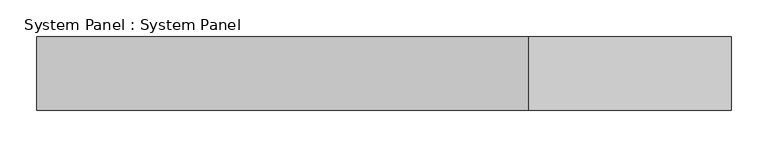
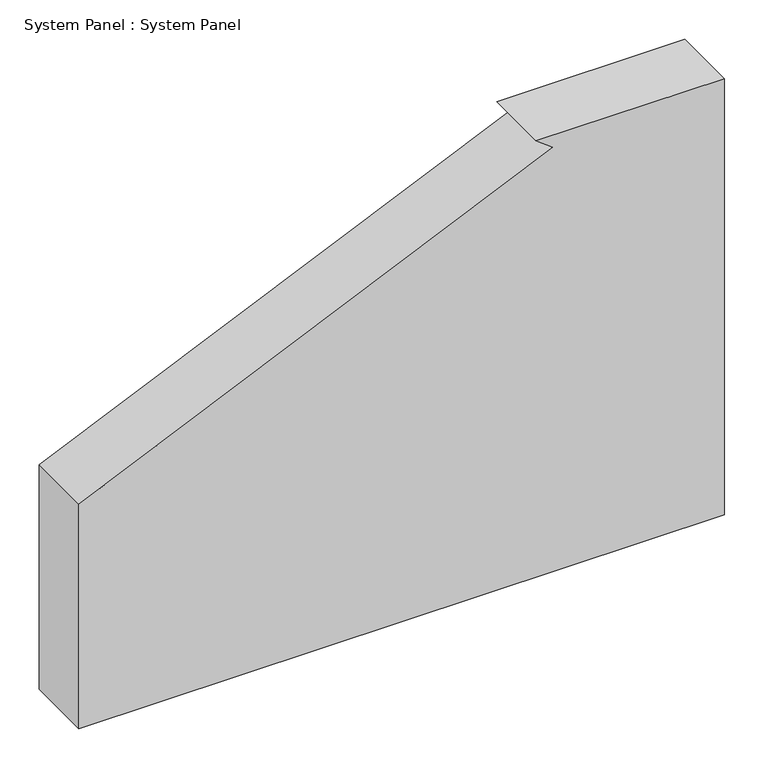
"""IFC4 building model written with IfcOpenShell, lengths in millimetres: plate geometry, System Panel : System Panel."""

from ifc_helpers import new_model, si_unit, point, frame, frame_2d, origin, place, context, project, spatial, polyline, circle_curve, trimmed, segment, composite_curve, outline, extrude, source, transform, mapped, element, save


def system_panel_system_panel_caf499a4(model_context):
    return source(origin(), model_context, "Body", "SweptSolid", [
        extrude(outline(composite_curve([segment(polyline([(0.0, -473.1695549), (0.0, 473.1695549), (675.694024, 473.1695549), (675.694024, 197.3594352), (657.0366654, 221.7322693)]), True, "CONTINUOUS"), segment(trimmed(circle_curve(frame_2d((4335.9328623, -1832.1053758)), 4213.3746925), [point((657.0366654, 221.7322693))], [point((347.7227707, -473.1695549))], True, "CARTESIAN"), True, "CONTINUOUS"), segment(polyline([(347.7227707, -473.1695549), (0.0, -473.1695549)]), True, "CONTINUOUS")], self_intersect=False)), frame((0.0, -50.0, 0.0), z_axis=(0.0, 1.0, 0.0), x_axis=(0.0, 0.0, 1.0)), (0.0, 0.0, 1.0), 100.0),
    ])


if __name__ == "__main__":
    model = new_model("IFC4")
    model_context = context("Model", 3, world=origin())
    ifc_project = project(units=[si_unit("LENGTHUNIT", "METRE", prefix="MILLI")], contexts=[model_context])
    site = spatial("IfcSite", under=ifc_project)
    building = spatial("IfcBuilding", under=site)
    placement = place(None, origin())
    system_panel_system_panel_shape = system_panel_system_panel_caf499a4(model_context)
    element("IfcPlate", 1, ObjectType="System Panel : System Panel", at=placement, inside=building, context=model_context, shape_type="MappedRepresentation", body=[
        mapped(system_panel_system_panel_shape, transform((0.0, 0.0, 0.0), x_axis=(1.0, 0.0, 0.0), y_axis=(0.0, 1.0, 0.0), z_axis=(0.0, 0.0, 1.0))),
    ])
    save(model, "model.ifc")
